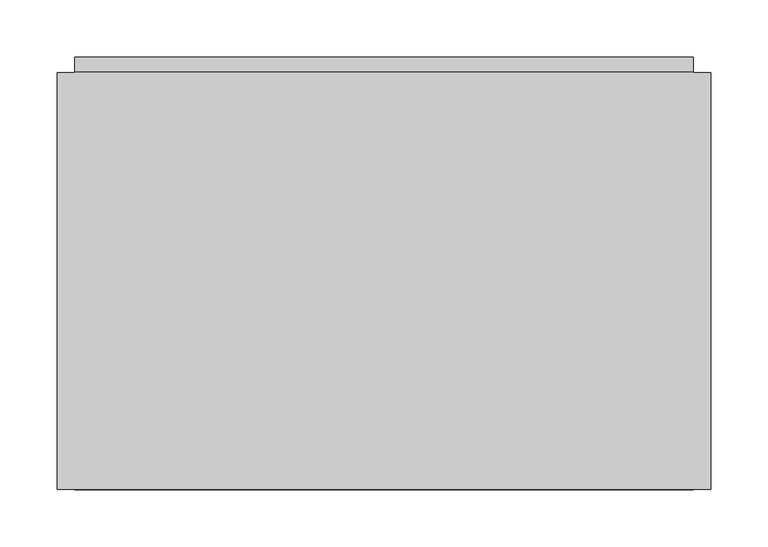
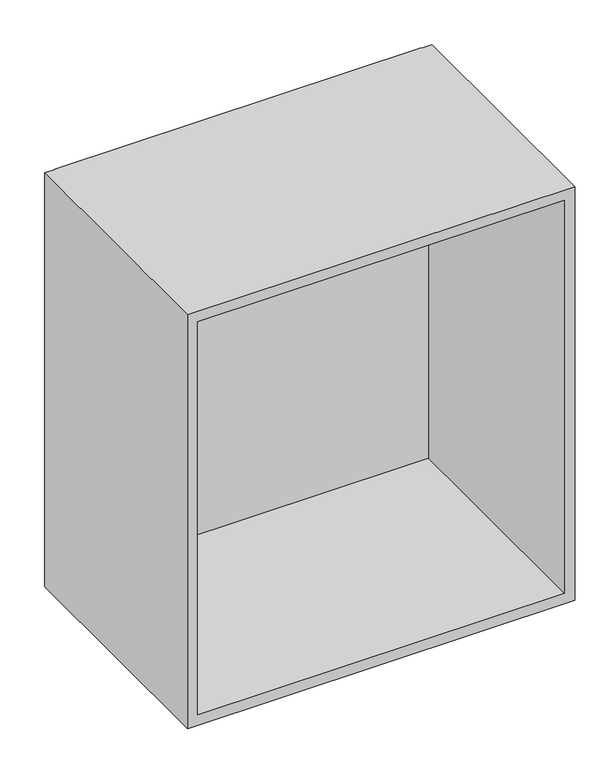
"""IFC4 building model written with IfcOpenShell, lengths in millimetres: furniture geometry."""

import ifcopenshell
import ifcopenshell.guid

model = None  # the IFC model being written
_history = None  # IfcOwnerHistory: only IFC2X3 demands one
_inside = {}  # id of a spatial element -> (the spatial element, [elements in it])
_under = {}  # id of a project, library or spatial element -> (it, [spatial elements below it])
_declared = {}  # id of a project -> (the project, [libraries it declares])
_typed = {}  # id of a type object -> (the type object, [elements of that type])
_made_of = {}  # id of a material, layer set ... -> (it, [elements and type objects made of it])


def new_model(schema):
    """Start an empty IFC model of exactly this schema.

    Asked for "IFC4X3", IfcOpenShell would pick the latest addendum, in which some entities
    have other attributes; the version numbers below select the first issue.
    IFC2X3 requires an IfcOwnerHistory on every rooted entity: one is made here for all.
    """
    global model, _history
    if schema == "IFC4X3":
        model = ifcopenshell.file(schema_version=(4, 3, 0, 0))
    else:
        model = ifcopenshell.file(schema=schema)
    _inside.clear()
    _under.clear()
    _declared.clear()
    _typed.clear()
    _made_of.clear()
    _history = None
    if model.schema == "IFC2X3":
        org = make("IfcOrganization", Name="unknown")
        user = make(
            "IfcPersonAndOrganization",
            ThePerson=make("IfcPerson", FamilyName="unknown"),
            TheOrganization=org,
        )
        app = make(
            "IfcApplication",
            ApplicationDeveloper=org,
            Version="unknown",
            ApplicationFullName="unknown",
            ApplicationIdentifier="unknown",
        )
        _history = make(
            "IfcOwnerHistory",
            OwningUser=user,
            OwningApplication=app,
            ChangeAction="ADDED",
            CreationDate=0,
        )
    return model


def make(cls, **values):
    """One entity of the class cls with the attributes given. An attribute that is None is left unset."""
    return model.create_entity(
        cls, **{name: value for name, value in values.items() if value is not None}
    )


def rooted(cls, **values):
    """An entity with a GlobalId (a new one), such as an element, a storey or a relation."""
    return make(cls, GlobalId=ifcopenshell.guid.new(), OwnerHistory=_history, **values)


def si_unit(unit_type, name, prefix=None):
    """IfcSIUnit, for example si_unit("LENGTHUNIT", "METRE", prefix="MILLI")."""
    return make("IfcSIUnit", UnitType=unit_type, Prefix=prefix, Name=name)


def assignment(units):
    """IfcUnitAssignment: the units of a project."""
    return None if units is None else make("IfcUnitAssignment", Units=units)


def point(xyz):
    """IfcCartesianPoint."""
    return None if xyz is None else make("IfcCartesianPoint", Coordinates=xyz)


def direction(xyz):
    """IfcDirection."""
    return None if xyz is None else make("IfcDirection", DirectionRatios=xyz)


def frame(location, z_axis=None, x_axis=None):
    """IfcAxis2Placement3D, a coordinate frame: its origin and axes. An axis left out is left unset."""
    return make(
        "IfcAxis2Placement3D",
        Location=point(location),
        Axis=direction(z_axis),
        RefDirection=direction(x_axis),
    )


def origin():
    """The frame at (0, 0, 0) with its axes left unset."""
    return frame((0.0, 0.0, 0.0))


def place(relative_to, where):
    """IfcLocalPlacement: puts the frame where relative to a parent placement (None: the world)."""
    return make(
        "IfcLocalPlacement", PlacementRelTo=relative_to, RelativePlacement=where
    )


def context(
    kind, dimensions, precision=None, world=None, true_north=None, identifier=None
):
    """IfcGeometricRepresentationContext, for example the 3D "Model" context."""
    return make(
        "IfcGeometricRepresentationContext",
        ContextIdentifier=identifier,
        ContextType=kind,
        CoordinateSpaceDimension=dimensions,
        Precision=precision,
        WorldCoordinateSystem=world,
        TrueNorth=true_north,
    )


def project(units=None, contexts=None):
    """IfcProject with its units and contexts."""
    return rooted(
        "IfcProject",
        Name="project",
        RepresentationContexts=contexts,
        UnitsInContext=assignment(units),
    )


def spatial(cls, under=None, at=None, **own):
    """A site, building, storey or space (cls), placed at a placement, below another one or the project."""
    s = rooted(cls, ObjectPlacement=at, **own)
    if under is not None:
        _under.setdefault(under.id(), (under, []))[1].append(s)
    return s


def faces_of(points, faces, orient=None, outer=None):
    """IfcFace entities. A face is a list of loops; a loop is a list of indices into points, from 0.

    orient and outer hold one flag for each loop. By default every Orientation is true, the
    first loop of a face is its IfcFaceOuterBound and the others are IfcFaceBound.
    """
    made = []
    for i, loops in enumerate(faces):
        bounds = []
        for j, loop in enumerate(loops):
            is_outer = j == 0 if outer is None else outer[i][j]
            bounds.append(
                make(
                    "IfcFaceOuterBound" if is_outer else "IfcFaceBound",
                    Bound=make("IfcPolyLoop", Polygon=[points[k] for k in loop]),
                    Orientation=True if orient is None else orient[i][j],
                )
            )
        made.append(make("IfcFace", Bounds=bounds))
    return made


def faceted_brep(points, faces, orient=None, outer=None, voids=None):
    """IfcFacetedBrep: a solid bounded by flat faces; with voids (closed shells), ...WithVoids."""
    shared = [point(p) for p in points]
    hull = make("IfcClosedShell", CfsFaces=faces_of(shared, faces, orient, outer))
    if voids is None:
        return make("IfcFacetedBrep", Outer=hull)
    return make(
        "IfcFacetedBrepWithVoids",
        Outer=hull,
        Voids=[
            make(cls, CfsFaces=faces_of(shared, fs, o, b)) for cls, fs, o, b in voids
        ],
    )


def shape(context_of_items, identifier, shape_type, items):
    """IfcShapeRepresentation: the items that make up one representation, for example the "Body"."""
    return make(
        "IfcShapeRepresentation",
        ContextOfItems=context_of_items,
        RepresentationIdentifier=identifier,
        RepresentationType=shape_type,
        Items=items,
    )


def source(mapping_origin, context_of_items, identifier, shape_type, items):
    """IfcRepresentationMap: a shape defined once, which mapped items show again and again."""
    return make(
        "IfcRepresentationMap",
        MappingOrigin=mapping_origin,
        MappedRepresentation=shape(context_of_items, identifier, shape_type, items),
    )


def transform(
    local_origin,
    x_axis=None,
    y_axis=None,
    z_axis=None,
    scale=None,
    scale2=None,
    scale3=None,
    uniform=True,
):
    """IfcCartesianTransformationOperator3D, or its non-uniform kind. x_axis, y_axis, z_axis: its Axis1, 2, 3."""
    if uniform:
        return make(
            "IfcCartesianTransformationOperator3D",
            Axis1=direction(x_axis),
            Axis2=direction(y_axis),
            LocalOrigin=point(local_origin),
            Scale=scale,
            Axis3=direction(z_axis),
        )
    return make(
        "IfcCartesianTransformationOperator3DnonUniform",
        Axis1=direction(x_axis),
        Axis2=direction(y_axis),
        LocalOrigin=point(local_origin),
        Scale=scale,
        Axis3=direction(z_axis),
        Scale2=scale2,
        Scale3=scale3,
    )


def mapped(mapping_source, mapping_target):
    """IfcMappedItem: shows the shape of a source again, moved by a transform."""
    return make(
        "IfcMappedItem", MappingSource=mapping_source, MappingTarget=mapping_target
    )


def made_of(thing, what):
    """Note that an element or type object is made of a material, layer set ...; save() writes the relation."""
    if what is not None:
        _made_of.setdefault(what.id(), (what, []))[1].append(thing)
    return thing


def element(
    cls,
    number,
    at=None,
    inside=None,
    cuts=None,
    type_object=None,
    material=None,
    context=None,
    identifier="Body",
    shape_type=None,
    held_by="IfcProductDefinitionShape",
    body=None,
    shapes=None,
    **own,
):
    """One element of the class cls, such as IfcWall. Its Tag is "e" and its number.

    at: its placement. inside: the storey or other place that contains it. cuts: it is an
    opening in that element (IfcRelVoidsElement). A single representation is given by context,
    identifier, shape_type and body (its items); several are given by shapes. held_by: the class
    of the entity that holds the representations. save() writes the other relations.
    """
    e = rooted(cls, Tag="e%d" % number, ObjectPlacement=at, **own)
    if body is not None:
        shapes = [shape(context, identifier, shape_type, body)]
    if shapes is not None:
        e.Representation = make(held_by, Representations=shapes)
    if inside is not None:
        _inside.setdefault(inside.id(), (inside, []))[1].append(e)
    if cuts is not None:
        rooted(
            "IfcRelVoidsElement", RelatingBuildingElement=cuts, RelatedOpeningElement=e
        )
    if type_object is not None:
        _typed.setdefault(type_object.id(), (type_object, []))[1].append(e)
    return made_of(e, material)


def aggregate(whole, parts):
    """IfcRelAggregates: a whole, such as a stair, and the parts it consists of."""
    return rooted("IfcRelAggregates", RelatingObject=whole, RelatedObjects=parts)


def save(model, path):
    """Write the relations noted so far, then the file.

    IfcRelAggregates (storeys below a building ...), IfcRelContainedInSpatialStructure (elements
    in a storey), IfcRelDefinesByType, IfcRelAssociatesMaterial and IfcRelDeclares: one each for
    every whole, place, type object, material and project.
    """
    for whole, parts in _under.values():
        aggregate(whole, parts)
    for where, things in _inside.values():
        rooted(
            "IfcRelContainedInSpatialStructure",
            RelatedElements=things,
            RelatingStructure=where,
        )
    for kind, things in _typed.values():
        rooted("IfcRelDefinesByType", RelatedObjects=things, RelatingType=kind)
    for what, things in _made_of.values():
        rooted("IfcRelAssociatesMaterial", RelatedObjects=things, RelatingMaterial=what)
    for by, libraries in _declared.values():
        rooted("IfcRelDeclares", RelatingContext=by, RelatedDefinitions=libraries)
    model.write(path)


def furniture_3f677c57(model_context):
    return source(origin(), model_context, "Body", "Brep", [
        faceted_brep([(-284.1625, -300.482, 883.58472), (-284.1625, -300.482, 242.23472), (284.1625, -300.482, 242.23472), (284.1625, -300.482, 883.58472), (-269.08125, -300.482, 867.4557263), (269.08125, -300.482, 867.4557263), (269.08125, -300.482, 258.2192639), (-269.08125, -300.482, 258.2192639), (-269.08125, 62.357, 883.58472), (-284.1625, 62.357, 883.58472), (284.1625, 62.357, 883.58472), (269.08125, 62.357, 883.58472), (269.08125, 63.1150395, 883.58472), (-269.08125, 63.1150395, 883.58472), (-269.08125, 61.5910395, 867.4557263), (269.08125, 61.5910395, 867.4557263), (-284.1625, 62.357, 242.23472), (-269.08125, 62.357, 242.23472), (-269.08125, 61.5910395, 242.23472), (269.08125, 61.5910395, 242.23472), (269.08125, 62.357, 242.23472), (284.1625, 62.357, 242.23472), (-269.08125, 44.7000393, 258.2192639), (-269.08125, 44.7000393, 700.8063235), (-269.08125, 62.357, 700.8063235), (-269.08125, 62.357, 787.5473236), (-269.08125, 61.5910395, 787.5473236), (-269.08125, 62.357, 258.2192639), (-269.08125, 61.5910395, 258.2192639), (269.08125, 62.357, 700.8063235), (269.08125, 62.357, 787.5473236), (269.08125, 62.357, 258.2192639), (269.08125, 61.5910395, 787.5473236), (269.08125, 44.7000393, 700.8063235), (269.08125, 44.7000393, 258.2192639), (269.08125, 61.5910395, 258.2192639), (269.08125, 75.8150391, 789.0713237), (269.08125, 63.1150395, 789.0713237), (269.08125, 74.2910395, 787.5473236), (269.08125, 74.2910395, 774.8473233), (269.08125, 75.8150391, 774.8473233), (-269.08125, 75.8150391, 789.0713237), (-269.08125, 75.8150391, 774.8473233), (-269.08125, 74.2910395, 774.8473233), (-269.08125, 74.2910395, 787.5473236), (-269.08125, 63.1150395, 789.0713237)], [[[0, 1, 2, 3], [4, 5, 6, 7]], [[8, 9, 0, 3, 10, 11, 12, 13]], [[5, 4, 14, 15]], [[1, 16, 17, 18, 19, 20, 21, 2]], [[14, 4, 7, 22, 23, 24, 25, 26]], [[18, 17, 27, 28]], [[9, 8, 25, 24, 29, 30, 11, 10, 21, 20, 31, 27, 17, 16]], [[0, 9, 16, 1]], [[10, 3, 2, 21]], [[5, 15, 32, 30, 29, 33, 34, 6]], [[20, 19, 35, 31]], [[19, 18, 28, 35]], [[7, 6, 34, 22]], [[36, 37, 12, 11, 30, 38, 39, 40]], [[41, 42, 43, 44, 25, 8, 13, 45]], [[37, 36, 41, 45]], [[12, 37, 45, 13]], [[26, 32, 15, 14]], [[32, 26, 25, 44, 38, 30]], [[39, 38, 44, 43]], [[40, 39, 43, 42]], [[36, 40, 42, 41]], [[33, 23, 22, 34]], [[27, 31, 35, 28]], [[23, 33, 29, 24]]]),
    ])


if __name__ == "__main__":
    model = new_model("IFC4")
    model_context = context("Model", 3, world=origin())
    ifc_project = project(units=[si_unit("LENGTHUNIT", "METRE", prefix="MILLI")], contexts=[model_context])
    site = spatial("IfcSite", under=ifc_project)
    building = spatial("IfcBuilding", under=site)
    placement = place(None, origin())
    furniture_shape = furniture_3f677c57(model_context)
    element("IfcFurniture", 1, at=placement, inside=building, context=model_context, shape_type="MappedRepresentation", body=[
        mapped(furniture_shape, transform((0.0, 0.0, 0.0), x_axis=(1.0, 0.0, 0.0), y_axis=(0.0, 1.0, 0.0), z_axis=(0.0, 0.0, 1.0))),
    ])
    save(model, "model.ifc")
